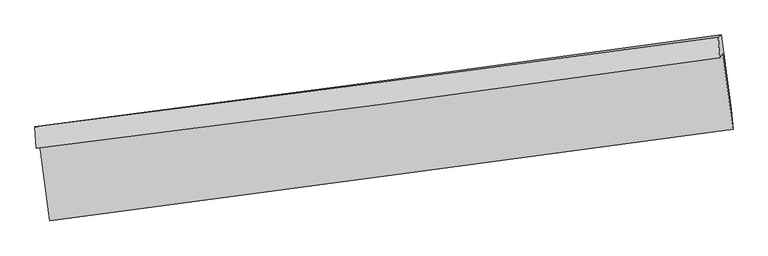
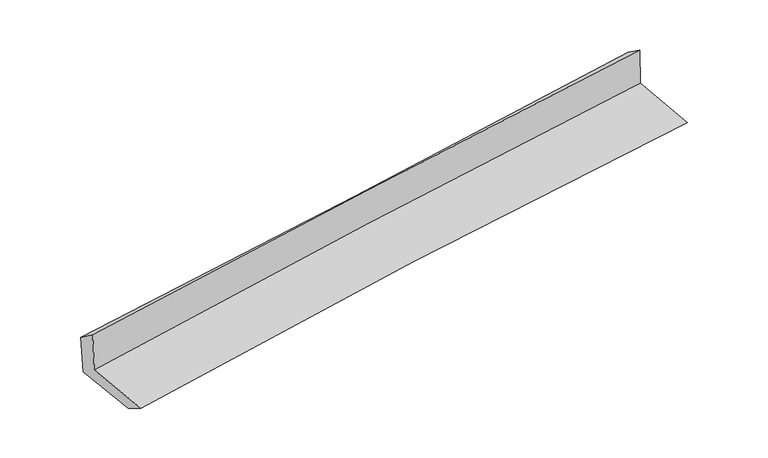
"""IFC4 building model written with IfcOpenShell, lengths in millimetres: proxy geometry."""

from ifc_helpers import new_model, si_unit, frame, origin, place, context, project, spatial, source, transform, mapped, element, save
from ifc_brep_helpers import plane_surface, spline_curve, spline_surface, advanced_brep


def generic_models_c7897c80(model_context):
    return source(origin(), model_context, "Body", "AdvancedBrep", [
        advanced_brep(
        [(-3023.2315719, -1908.307059, 1658.6518507), (-2934.5705472, -2573.7388655, 1621.6541748), (3072.572837, -1768.7761122, 2094.5182723), (2980.8214005, -1104.417405, 2148.3000067), (-3051.4825218, -1934.3161447, 2058.744947), (2954.791645, -1139.0556175, 2534.6916686), (-3065.2575549, -1745.3653013, 1924.9170334), (2941.1687472, -960.1435727, 2409.1537351), (-3035.4962222, -1741.1596501, 1541.2686496), (2969.2515529, -939.9282605, 2020.8218564), (-2950.9811032, -2377.3431179, 1509.0483937), (3057.8022422, -1592.5368154, 1987.9224382)],
        [
            (0, 1),
            (1, 2, spline_curve(3, [(-2934.5705472, -2573.7388655, 1621.6541748), (-1935.566741334, -2442.319641597, 1730.414322868), (-935.552208048, -2309.541077135, 1824.195713936), (1066.828253613, -2041.221055685, 1981.826955404), (2069.194848365, -1905.678702119, 2045.666930086), (3072.572837, -1768.7761122, 2094.5182723)], [4, 2, 4], [0.0, 9.97024125397694, 19.94376872375512])),
            (2, 3),
            (3, 0, spline_curve(3, [(2980.8214005, -1104.417405, 2148.3000067), (1978.651602323, -1240.401229247, 2086.896771719), (977.146622437, -1375.394821212, 2015.382751983), (-1024.203930376, -1643.357386507, 1852.160038287), (-2024.049941131, -1776.327012683, 1760.458006079), (-3023.2315719, -1908.307059, 1658.6518507)], [4, 2, 4], [0.0, 9.97352746977818, 19.94376872375512])),
            (4, 0),
            (3, 5),
            (5, 4, spline_curve(3, [(2954.791645, -1139.0556175, 2534.6916686), (1953.42694929, -1282.251978956, 2474.897179343), (952.139293656, -1420.131914265, 2405.329562624), (-1049.952044532, -1685.215254076, 2246.674216262), (-2050.755777715, -1812.422161015, 2157.59292586), (-3051.4825218, -1934.3161447, 2058.744947)], [4, 2, 4], [0.0, 9.971605696909402, 19.939925811229873])),
            (6, 4),
            (5, 7),
            (7, 6, spline_curve(3, [(2941.1687472, -960.1435727, 2409.1537351), (1941.267125552, -1096.305204123, 2320.328223017), (940.698204253, -1229.831512015, 2235.556427321), (-1061.444336092, -1491.570351613, 2074.146864389), (-2063.01751551, -1619.784620144, 1997.506426218), (-3065.2575549, -1745.3653013, 1924.9170334)], [4, 2, 4], [0.0, 9.97076435148499, 19.93824339759918])),
            (8, 6),
            (7, 9),
            (9, 8, spline_curve(3, [(2969.2515529, -939.9282605, 2020.8218564), (1968.497815047, -1077.262405978, 1944.717033793), (967.642829109, -1212.709452097, 1866.694954464), (-1033.939829402, -1479.785338724, 1706.842622055), (-2034.667435042, -1611.415422486, 1625.013632466), (-3035.4962222, -1741.1596501, 1541.2686496)], [4, 2, 4], [0.0, 9.97031931977099, 19.937353480806387])),
            (10, 8),
            (9, 11),
            (11, 10, spline_curve(3, [(3057.8022422, -1592.5368154, 1987.9224382), (2056.578496163, -1728.80546649, 1911.801871362), (1055.152136756, -1862.350644595, 1833.828536695), (-947.775778386, -2123.950951059, 1674.202634713), (-1949.277200861, -2252.007873449, 1592.551287741), (-2950.9811032, -2377.3431179, 1509.0483937)], [4, 2, 4], [0.0, 9.97185210750934, 19.940418551238977])),
            (1, 10),
            (11, 2),
        ],
        [
            spline_surface(3, 3, [[(-3023.2315719, -1908.307059, 1658.6518507), (-2024.049941216, -1776.327012799, 1760.458005932), (-1024.203930354, -1643.357386639, 1852.160038243), (977.146622415, -1375.39482108, 2015.382752027), (1978.651602345, -1240.401229245, 2086.896771717), (2980.8214005, -1104.417405, 2148.3000067)], [(-2993.67789699, -2130.117661148, 1646.319292073), (-1994.555541251, -1998.324555699, 1750.443444919), (-994.65335626, -1865.418616826, 1842.838596794), (1007.040499476, -1597.336899276, 2004.197486497), (2008.832684363, -1462.1603869, 2073.153491239), (3011.405212664, -1325.870307387, 2130.372761919)], [(-2964.12422211, -2351.928263352, 1633.986733427), (-1965.061141316, -2220.322098655, 1740.428883887), (-965.102782147, -2087.479846989, 1833.517155348), (1036.934376557, -1819.278977448, 1993.01222097), (2039.013766388, -1683.919544595, 2059.410210704), (3041.989024836, -1547.323209813, 2112.445517081)], [(-2934.5705472, -2573.7388655, 1621.6541748), (-1935.56674135, -2442.319641555, 1730.414322874), (-935.552208054, -2309.541077176, 1824.195713899), (1066.828253618, -2041.221055644, 1981.826955441), (2069.194848406, -1905.678702251, 2045.666930226), (3072.572837, -1768.7761122, 2094.5182723)]], [4, 4], [4, 2, 4], [0.0, 2.206860549380251], [0.0, 9.97024125397694, 19.94376872375512]),
            spline_surface(3, 3, [[(-3051.4825218, -1934.3161447, 2058.744947), (-2050.755777877, -1812.422161003, 2157.592925755), (-1049.952044528, -1685.215253929, 2246.674216186), (952.139293652, -1420.131914412, 2405.3295627), (1953.426949224, -1282.251979084, 2474.89717946), (2954.791645, -1139.0556175, 2534.6916686)], [(-3042.06553851, -1925.646449474, 1925.380581552), (-2041.853832334, -1800.390444943, 2025.214619133), (-1041.369339803, -1671.262631484, 2115.169490201), (960.475069906, -1405.219549952, 2275.347292471), (1961.835166919, -1268.301729143, 2345.563710193), (2963.468230154, -1127.509546672, 2405.894447947)], [(-3032.64855519, -1916.976754226, 1792.016216148), (-2032.95188676, -1788.358728859, 1892.836312554), (-1032.786635078, -1657.310009085, 1983.664764228), (968.810846161, -1390.30718554, 2145.365022256), (1970.24338465, -1254.351479186, 2216.230240984), (2972.144815346, -1115.963475828, 2277.097227353)], [(-3023.2315719, -1908.307059, 1658.6518507), (-2024.049941216, -1776.327012799, 1760.458005932), (-1024.203930354, -1643.357386639, 1852.160038243), (977.146622415, -1375.39482108, 2015.382752027), (1978.651602345, -1240.401229245, 2086.896771717), (2980.8214005, -1104.417405, 2148.3000067)]], [4, 4], [4, 2, 4], [0.0, 1.2973343092067688], [0.0, 9.968320114320472, 19.939925811229873]),
            spline_surface(3, 3, [[(-3065.2575549, -1745.3653013, 1924.9170334), (-2063.017515575, -1619.784620254, 1997.506426225), (-1061.444336107, -1491.570351728, 2074.146864358), (940.698204268, -1229.8315119, 2235.556427352), (1941.267125489, -1096.305204202, 2320.328223113), (2941.1687472, -960.1435727, 2409.1537351)], [(-3060.665877196, -1808.348915767, 1969.526337953), (-2058.930269671, -1683.997133838, 2050.868592755), (-1057.613572251, -1556.118652486, 2131.655981654), (944.511900726, -1293.264979428, 2292.147472488), (1945.320400071, -1158.287462484, 2371.851208583), (2945.709713137, -1019.780920955, 2450.999712954)], [(-3056.074199504, -1871.332530233, 2014.135642447), (-2054.84302378, -1748.209647419, 2104.230759225), (-1053.782808384, -1620.666953172, 2189.165098889), (948.325597194, -1356.698446884, 2348.738517563), (1949.373674642, -1220.269720802, 2423.37419399), (2950.250679063, -1079.418269245, 2492.845690746)], [(-3051.4825218, -1934.3161447, 2058.744947), (-2050.755777877, -1812.422161003, 2157.592925755), (-1049.952044528, -1685.215253929, 2246.674216186), (952.139293652, -1420.131914412, 2405.3295627), (1953.426949224, -1282.251979084, 2474.89717946), (2954.791645, -1139.0556175, 2534.6916686)]], [4, 4], [4, 2, 4], [0.0, 0.8446300573263569], [0.0, 9.96747904611419, 19.93824339759918]),
            spline_surface(3, 3, [[(-3035.4962222, -1741.1596501, 1541.2686496), (-2034.667435187, -1611.415422351, 1625.013632547), (-1033.939829359, -1479.785338656, 1706.842622176), (967.642829065, -1212.709452165, 1866.694954342), (1968.497814909, -1077.262405982, 1944.717033661), (2969.2515529, -939.9282605, 2020.8218564)], [(-3045.416666421, -1742.561533835, 1669.151444188), (-2044.117461971, -1614.205154987, 1749.177897095), (-1043.107998282, -1483.713676348, 1829.277369556), (958.661287459, -1218.416805411, 1989.648778665), (1959.42091844, -1083.610005397, 2069.920763477), (2959.890617671, -946.666697909, 2150.265815965)], [(-3055.337110679, -1743.963417565, 1797.034238812), (-2053.567488791, -1616.994887618, 1873.342161677), (-1052.276167184, -1487.642014036, 1951.712116977), (949.679745875, -1224.124158654, 2112.602603029), (1950.344021958, -1089.957604786, 2195.124493297), (2950.529682429, -953.405135291, 2279.709775535)], [(-3065.2575549, -1745.3653013, 1924.9170334), (-2063.017515575, -1619.784620254, 1997.506426225), (-1061.444336107, -1491.570351728, 2074.146864358), (940.698204268, -1229.8315119, 2235.556427352), (1941.267125489, -1096.305204202, 2320.328223113), (2941.1687472, -960.1435727, 2409.1537351)]], [4, 4], [4, 2, 4], [0.0, 1.211848648302648], [0.0, 9.967034161035397, 19.937353480806387]),
            spline_surface(3, 3, [[(-2950.9811032, -2377.3431179, 1509.0483937), (-1949.277200811, -2252.007873589, 1592.551287626), (-947.775778462, -2123.950951026, 1674.202634589), (1055.152136832, -1862.350644629, 1833.82853682), (2056.578496291, -1728.805466364, 1911.801871395), (3057.8022422, -1592.5368154, 1987.9224382)], [(-2979.152809541, -2165.281961964, 1519.788478995), (-1977.740612278, -2038.477056507, 1603.372069262), (-976.497128758, -1909.229080216, 1685.082630446), (1025.982367579, -1645.803580454, 1844.784009323), (2027.218269173, -1511.624446243, 1922.773592157), (3028.285345776, -1375.00063044, 1998.88891094)], [(-3007.324515859, -1953.220806036, 1530.528564305), (-2006.20402372, -1824.946239433, 1614.192850912), (-1005.218479062, -1694.507209466, 1695.962626318), (996.812598318, -1429.25651634, 1855.73948184), (1997.858042027, -1294.443426103, 1933.745312899), (2998.768449324, -1157.46444546, 2009.85538366)], [(-3035.4962222, -1741.1596501, 1541.2686496), (-2034.667435187, -1611.415422351, 1625.013632547), (-1033.939829359, -1479.785338656, 1706.842622176), (967.642829065, -1212.709452165, 1866.694954342), (1968.497814909, -1077.262405982, 1944.717033661), (2969.2515529, -939.9282605, 2020.8218564)]], [4, 4], [4, 2, 4], [0.0, 2.144120119112454], [0.0, 9.968566443729637, 19.940418551238977]),
            spline_surface(3, 3, [[(-2934.5705472, -2573.7388655, 1621.6541748), (-1935.56674135, -2442.319641555, 1730.414322874), (-935.552208054, -2309.541077176, 1824.195713899), (1066.828253618, -2041.221055644, 1981.826955441), (2069.194848406, -1905.678702251, 2045.666930226), (3072.572837, -1768.7761122, 2094.5182723)], [(-2940.040732541, -2508.273616311, 1584.118914438), (-1940.136894512, -2378.882385577, 1684.459977796), (-939.626731508, -2247.677701795, 1774.198020799), (1062.936214705, -1981.597585308, 1932.494149237), (2064.989397697, -1846.72095696, 2001.045243923), (3067.649305397, -1710.029679938, 2058.986327575)], [(-2945.510917859, -2442.808367089, 1546.583654062), (-1944.707047649, -2315.445129567, 1638.505632704), (-943.701255008, -2185.814326407, 1724.200327689), (1059.044175745, -1921.974114965, 1883.161343024), (2060.783946999, -1787.763211655, 1956.423557697), (3062.725773803, -1651.283247662, 2023.454382925)], [(-2950.9811032, -2377.3431179, 1509.0483937), (-1949.277200811, -2252.007873589, 1592.551287626), (-947.775778462, -2123.950951026, 1674.202634589), (1055.152136832, -1862.350644629, 1833.82853682), (2056.578496291, -1728.805466364, 1911.801871395), (3057.8022422, -1592.5368154, 1987.9224382)]], [4, 4], [4, 2, 4], [0.0, 0.7732620091254888], [0.0, 9.97084759346051, 19.94498160257323]),
            plane_surface(frame((2996.0680708, -1250.8096305, 2199.2346629), z_axis=(0.9883990008966307, 0.13016824672836938, 0.07825370643109945), x_axis=(-0.07203112534694332, -0.051851360760892855, 0.996053690002952))),
            plane_surface(frame((-3010.1699202, -2046.7050231, 1719.0475082), z_axis=(-0.9887717757726172, -0.12739997843173512, -0.07810006998113896), x_axis=(-0.13187107672253115, 0.9897382651316595, 0.05502895290856641))),
        ],
        [
            (0, [[1, 2, 3, 4]]),
            (1, [[5, -4, 6, 7]]),
            (2, [[8, -7, 9, 10]]),
            (3, [[11, -10, 12, 13]]),
            (4, [[14, -13, 15, 16]]),
            (5, [[17, -16, 18, -2]]),
            (6, [[-12, -9, -6, -3, -18, -15]]),
            (7, [[-1, -5, -8, -11, -14, -17]]),
        ],
    ),
    ])


if __name__ == "__main__":
    model = new_model("IFC4")
    model_context = context("Model", 3, world=origin())
    ifc_project = project(units=[si_unit("LENGTHUNIT", "METRE", prefix="MILLI")], contexts=[model_context])
    site = spatial("IfcSite", under=ifc_project)
    building = spatial("IfcBuilding", under=site)
    placement = place(None, origin())
    generic_models_shape = generic_models_c7897c80(model_context)
    element("IfcBuildingElementProxy", 1, Name="Generic Models", at=placement, inside=building, context=model_context, shape_type="MappedRepresentation", body=[
        mapped(generic_models_shape, transform((0.0, 0.0, 0.0), x_axis=(1.0, 0.0, 0.0), y_axis=(0.0, 1.0, 0.0), z_axis=(0.0, 0.0, 1.0))),
    ])
    save(model, "model.ifc")
